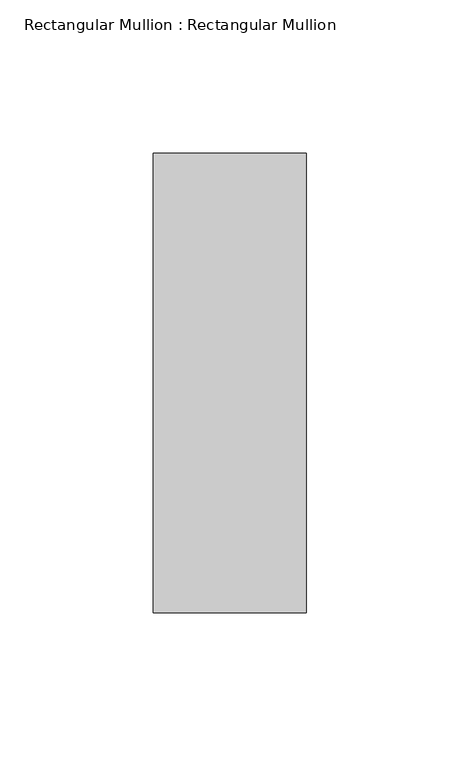
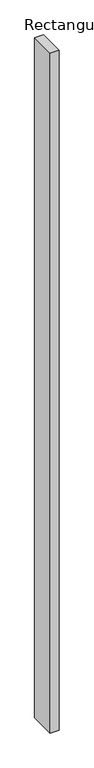
"""IFC4 building model written with IfcOpenShell, lengths in millimetres: member geometry, Rectangular Mullion : Rectangular Mullion."""

from ifc_helpers import new_model, si_unit, frame, origin, place, context, project, spatial, polyline, outline, extrude, source, transform, mapped, element, save


def rectangular_mullion_rectangular_mullion_d8bc734e(model_context):
    return source(origin(), model_context, "Body", "SweptSolid", [
        extrude(outline(polyline([(25.0, 0.0), (25.0, -150.0), (-25.0, -150.0), (-25.0, 0.0), (25.0, 0.0)])), frame((0.0, 0.0, -4000.0), z_axis=(0.0, 0.0, 1.0), x_axis=(1.0, 0.0, 0.0)), (0.0, 0.0, 1.0), 4000.0),
    ])


if __name__ == "__main__":
    model = new_model("IFC4")
    model_context = context("Model", 3, world=origin())
    ifc_project = project(units=[si_unit("LENGTHUNIT", "METRE", prefix="MILLI")], contexts=[model_context])
    site = spatial("IfcSite", under=ifc_project)
    building = spatial("IfcBuilding", under=site)
    placement = place(None, origin())
    rectangular_mullion_rectangular_mullion_shape = rectangular_mullion_rectangular_mullion_d8bc734e(model_context)
    element("IfcMember", 1, ObjectType="Rectangular Mullion : Rectangular Mullion", at=placement, inside=building, context=model_context, shape_type="MappedRepresentation", body=[
        mapped(rectangular_mullion_rectangular_mullion_shape, transform((0.0, 0.0, 0.0), x_axis=(1.0, 0.0, 0.0), y_axis=(0.0, 1.0, 0.0), z_axis=(0.0, 0.0, 1.0))),
    ])
    save(model, "model.ifc")
